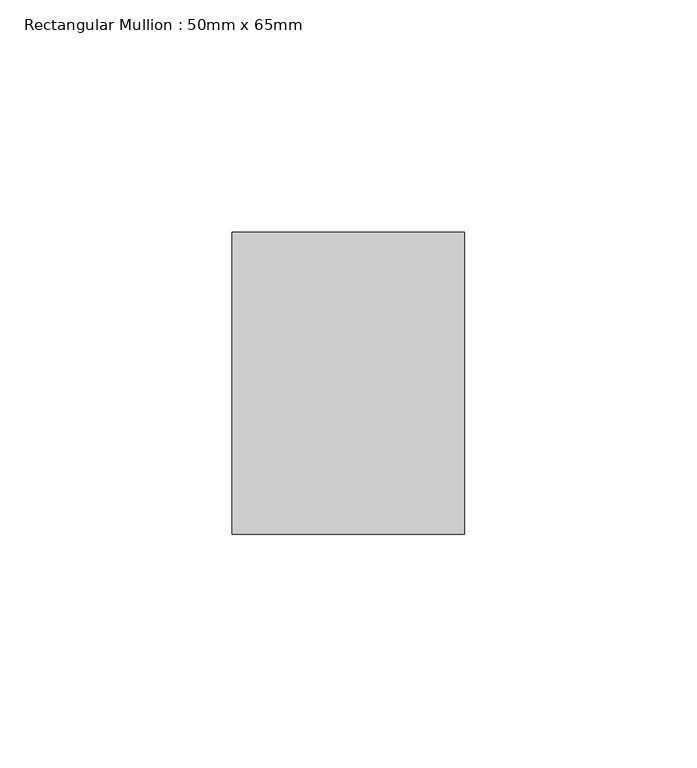
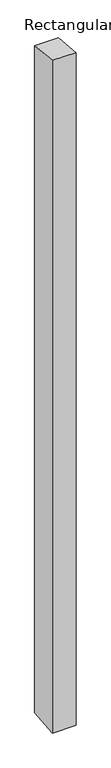
"""IFC4 building model written with IfcOpenShell, lengths in millimetres: member geometry, Rectangular Mullion : 50mm x 65mm."""

import ifcopenshell
import ifcopenshell.guid

model = None  # the IFC model being written
_history = None  # IfcOwnerHistory: only IFC2X3 demands one
_inside = {}  # id of a spatial element -> (the spatial element, [elements in it])
_under = {}  # id of a project, library or spatial element -> (it, [spatial elements below it])
_declared = {}  # id of a project -> (the project, [libraries it declares])
_typed = {}  # id of a type object -> (the type object, [elements of that type])
_made_of = {}  # id of a material, layer set ... -> (it, [elements and type objects made of it])


def new_model(schema):
    """Start an empty IFC model of exactly this schema.

    Asked for "IFC4X3", IfcOpenShell would pick the latest addendum, in which some entities
    have other attributes; the version numbers below select the first issue.
    IFC2X3 requires an IfcOwnerHistory on every rooted entity: one is made here for all.
    """
    global model, _history
    if schema == "IFC4X3":
        model = ifcopenshell.file(schema_version=(4, 3, 0, 0))
    else:
        model = ifcopenshell.file(schema=schema)
    _inside.clear()
    _under.clear()
    _declared.clear()
    _typed.clear()
    _made_of.clear()
    _history = None
    if model.schema == "IFC2X3":
        org = make("IfcOrganization", Name="unknown")
        user = make(
            "IfcPersonAndOrganization",
            ThePerson=make("IfcPerson", FamilyName="unknown"),
            TheOrganization=org,
        )
        app = make(
            "IfcApplication",
            ApplicationDeveloper=org,
            Version="unknown",
            ApplicationFullName="unknown",
            ApplicationIdentifier="unknown",
        )
        _history = make(
            "IfcOwnerHistory",
            OwningUser=user,
            OwningApplication=app,
            ChangeAction="ADDED",
            CreationDate=0,
        )
    return model


def make(cls, **values):
    """One entity of the class cls with the attributes given. An attribute that is None is left unset."""
    return model.create_entity(
        cls, **{name: value for name, value in values.items() if value is not None}
    )


def rooted(cls, **values):
    """An entity with a GlobalId (a new one), such as an element, a storey or a relation."""
    return make(cls, GlobalId=ifcopenshell.guid.new(), OwnerHistory=_history, **values)


def si_unit(unit_type, name, prefix=None):
    """IfcSIUnit, for example si_unit("LENGTHUNIT", "METRE", prefix="MILLI")."""
    return make("IfcSIUnit", UnitType=unit_type, Prefix=prefix, Name=name)


def assignment(units):
    """IfcUnitAssignment: the units of a project."""
    return None if units is None else make("IfcUnitAssignment", Units=units)


def point(xyz):
    """IfcCartesianPoint."""
    return None if xyz is None else make("IfcCartesianPoint", Coordinates=xyz)


def direction(xyz):
    """IfcDirection."""
    return None if xyz is None else make("IfcDirection", DirectionRatios=xyz)


def frame(location, z_axis=None, x_axis=None):
    """IfcAxis2Placement3D, a coordinate frame: its origin and axes. An axis left out is left unset."""
    return make(
        "IfcAxis2Placement3D",
        Location=point(location),
        Axis=direction(z_axis),
        RefDirection=direction(x_axis),
    )


def origin():
    """The frame at (0, 0, 0) with its axes left unset."""
    return frame((0.0, 0.0, 0.0))


def place(relative_to, where):
    """IfcLocalPlacement: puts the frame where relative to a parent placement (None: the world)."""
    return make(
        "IfcLocalPlacement", PlacementRelTo=relative_to, RelativePlacement=where
    )


def context(
    kind, dimensions, precision=None, world=None, true_north=None, identifier=None
):
    """IfcGeometricRepresentationContext, for example the 3D "Model" context."""
    return make(
        "IfcGeometricRepresentationContext",
        ContextIdentifier=identifier,
        ContextType=kind,
        CoordinateSpaceDimension=dimensions,
        Precision=precision,
        WorldCoordinateSystem=world,
        TrueNorth=true_north,
    )


def project(units=None, contexts=None):
    """IfcProject with its units and contexts."""
    return rooted(
        "IfcProject",
        Name="project",
        RepresentationContexts=contexts,
        UnitsInContext=assignment(units),
    )


def spatial(cls, under=None, at=None, **own):
    """A site, building, storey or space (cls), placed at a placement, below another one or the project."""
    s = rooted(cls, ObjectPlacement=at, **own)
    if under is not None:
        _under.setdefault(under.id(), (under, []))[1].append(s)
    return s


def faces_of(points, faces, orient=None, outer=None):
    """IfcFace entities. A face is a list of loops; a loop is a list of indices into points, from 0.

    orient and outer hold one flag for each loop. By default every Orientation is true, the
    first loop of a face is its IfcFaceOuterBound and the others are IfcFaceBound.
    """
    made = []
    for i, loops in enumerate(faces):
        bounds = []
        for j, loop in enumerate(loops):
            is_outer = j == 0 if outer is None else outer[i][j]
            bounds.append(
                make(
                    "IfcFaceOuterBound" if is_outer else "IfcFaceBound",
                    Bound=make("IfcPolyLoop", Polygon=[points[k] for k in loop]),
                    Orientation=True if orient is None else orient[i][j],
                )
            )
        made.append(make("IfcFace", Bounds=bounds))
    return made


def faceted_brep(points, faces, orient=None, outer=None, voids=None):
    """IfcFacetedBrep: a solid bounded by flat faces; with voids (closed shells), ...WithVoids."""
    shared = [point(p) for p in points]
    hull = make("IfcClosedShell", CfsFaces=faces_of(shared, faces, orient, outer))
    if voids is None:
        return make("IfcFacetedBrep", Outer=hull)
    return make(
        "IfcFacetedBrepWithVoids",
        Outer=hull,
        Voids=[
            make(cls, CfsFaces=faces_of(shared, fs, o, b)) for cls, fs, o, b in voids
        ],
    )


def shape(context_of_items, identifier, shape_type, items):
    """IfcShapeRepresentation: the items that make up one representation, for example the "Body"."""
    return make(
        "IfcShapeRepresentation",
        ContextOfItems=context_of_items,
        RepresentationIdentifier=identifier,
        RepresentationType=shape_type,
        Items=items,
    )


def source(mapping_origin, context_of_items, identifier, shape_type, items):
    """IfcRepresentationMap: a shape defined once, which mapped items show again and again."""
    return make(
        "IfcRepresentationMap",
        MappingOrigin=mapping_origin,
        MappedRepresentation=shape(context_of_items, identifier, shape_type, items),
    )


def transform(
    local_origin,
    x_axis=None,
    y_axis=None,
    z_axis=None,
    scale=None,
    scale2=None,
    scale3=None,
    uniform=True,
):
    """IfcCartesianTransformationOperator3D, or its non-uniform kind. x_axis, y_axis, z_axis: its Axis1, 2, 3."""
    if uniform:
        return make(
            "IfcCartesianTransformationOperator3D",
            Axis1=direction(x_axis),
            Axis2=direction(y_axis),
            LocalOrigin=point(local_origin),
            Scale=scale,
            Axis3=direction(z_axis),
        )
    return make(
        "IfcCartesianTransformationOperator3DnonUniform",
        Axis1=direction(x_axis),
        Axis2=direction(y_axis),
        LocalOrigin=point(local_origin),
        Scale=scale,
        Axis3=direction(z_axis),
        Scale2=scale2,
        Scale3=scale3,
    )


def mapped(mapping_source, mapping_target):
    """IfcMappedItem: shows the shape of a source again, moved by a transform."""
    return make(
        "IfcMappedItem", MappingSource=mapping_source, MappingTarget=mapping_target
    )


def made_of(thing, what):
    """Note that an element or type object is made of a material, layer set ...; save() writes the relation."""
    if what is not None:
        _made_of.setdefault(what.id(), (what, []))[1].append(thing)
    return thing


def element(
    cls,
    number,
    at=None,
    inside=None,
    cuts=None,
    type_object=None,
    material=None,
    context=None,
    identifier="Body",
    shape_type=None,
    held_by="IfcProductDefinitionShape",
    body=None,
    shapes=None,
    **own,
):
    """One element of the class cls, such as IfcWall. Its Tag is "e" and its number.

    at: its placement. inside: the storey or other place that contains it. cuts: it is an
    opening in that element (IfcRelVoidsElement). A single representation is given by context,
    identifier, shape_type and body (its items); several are given by shapes. held_by: the class
    of the entity that holds the representations. save() writes the other relations.
    """
    e = rooted(cls, Tag="e%d" % number, ObjectPlacement=at, **own)
    if body is not None:
        shapes = [shape(context, identifier, shape_type, body)]
    if shapes is not None:
        e.Representation = make(held_by, Representations=shapes)
    if inside is not None:
        _inside.setdefault(inside.id(), (inside, []))[1].append(e)
    if cuts is not None:
        rooted(
            "IfcRelVoidsElement", RelatingBuildingElement=cuts, RelatedOpeningElement=e
        )
    if type_object is not None:
        _typed.setdefault(type_object.id(), (type_object, []))[1].append(e)
    return made_of(e, material)


def aggregate(whole, parts):
    """IfcRelAggregates: a whole, such as a stair, and the parts it consists of."""
    return rooted("IfcRelAggregates", RelatingObject=whole, RelatedObjects=parts)


def save(model, path):
    """Write the relations noted so far, then the file.

    IfcRelAggregates (storeys below a building ...), IfcRelContainedInSpatialStructure (elements
    in a storey), IfcRelDefinesByType, IfcRelAssociatesMaterial and IfcRelDeclares: one each for
    every whole, place, type object, material and project.
    """
    for whole, parts in _under.values():
        aggregate(whole, parts)
    for where, things in _inside.values():
        rooted(
            "IfcRelContainedInSpatialStructure",
            RelatedElements=things,
            RelatingStructure=where,
        )
    for kind, things in _typed.values():
        rooted("IfcRelDefinesByType", RelatedObjects=things, RelatingType=kind)
    for what, things in _made_of.values():
        rooted("IfcRelAssociatesMaterial", RelatedObjects=things, RelatingMaterial=what)
    for by, libraries in _declared.values():
        rooted("IfcRelDeclares", RelatingContext=by, RelatedDefinitions=libraries)
    model.write(path)


def rectangular_mullion_50mm_x_65mm_d464561a(model_context):
    return source(origin(), model_context, "Body", "Brep", [
        faceted_brep([(-25.0, 32.5, -3.371684), (25.0, 32.5, -3.3716808), (25.0, 32.5, -1496.8525469), (-25.0, 32.5, -1496.8525439), (-25.0, -32.5, 3.3716808), (-25.0, -32.5, -1503.1464177), (25.0, -32.5, 3.371684), (25.0, -32.5, -1503.1464207)], [[[0, 1, 2, 3]], [[4, 0, 3, 5]], [[6, 4, 5, 7]], [[1, 6, 7, 2]], [[1, 0, 4, 6]], [[2, 7, 5, 3]]]),
    ])


if __name__ == "__main__":
    model = new_model("IFC4")
    model_context = context("Model", 3, world=origin())
    ifc_project = project(units=[si_unit("LENGTHUNIT", "METRE", prefix="MILLI")], contexts=[model_context])
    site = spatial("IfcSite", under=ifc_project)
    building = spatial("IfcBuilding", under=site)
    placement = place(None, origin())
    rectangular_mullion_50mm_x_65mm_shape = rectangular_mullion_50mm_x_65mm_d464561a(model_context)
    element("IfcMember", 1, ObjectType="Rectangular Mullion : 50mm x 65mm", at=placement, inside=building, context=model_context, shape_type="MappedRepresentation", body=[
        mapped(rectangular_mullion_50mm_x_65mm_shape, transform((0.0, 0.0, 0.0), x_axis=(1.0, 0.0, 0.0), y_axis=(0.0, 1.0, 0.0), z_axis=(0.0, 0.0, 1.0))),
    ])
    save(model, "model.ifc")
